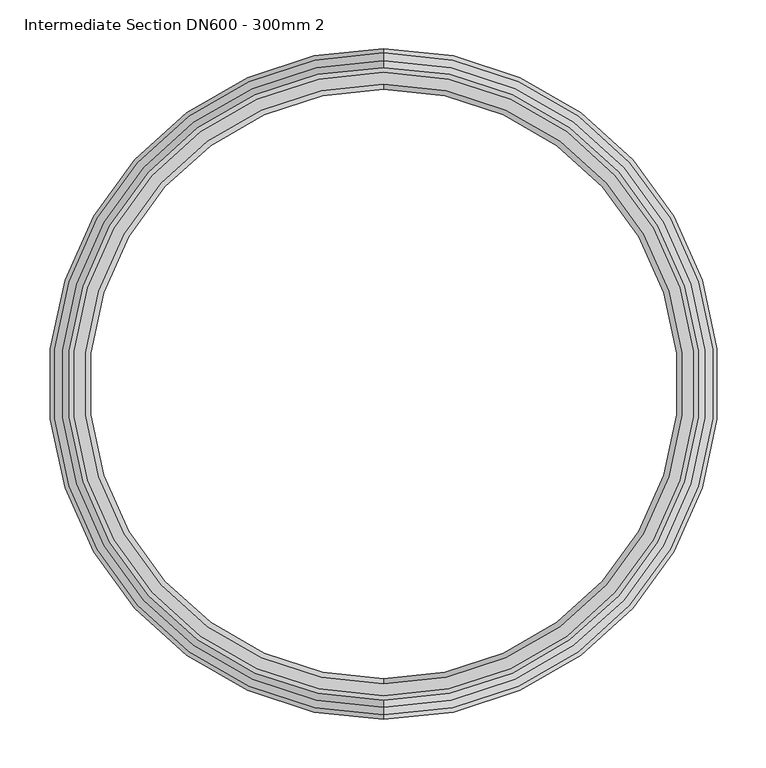
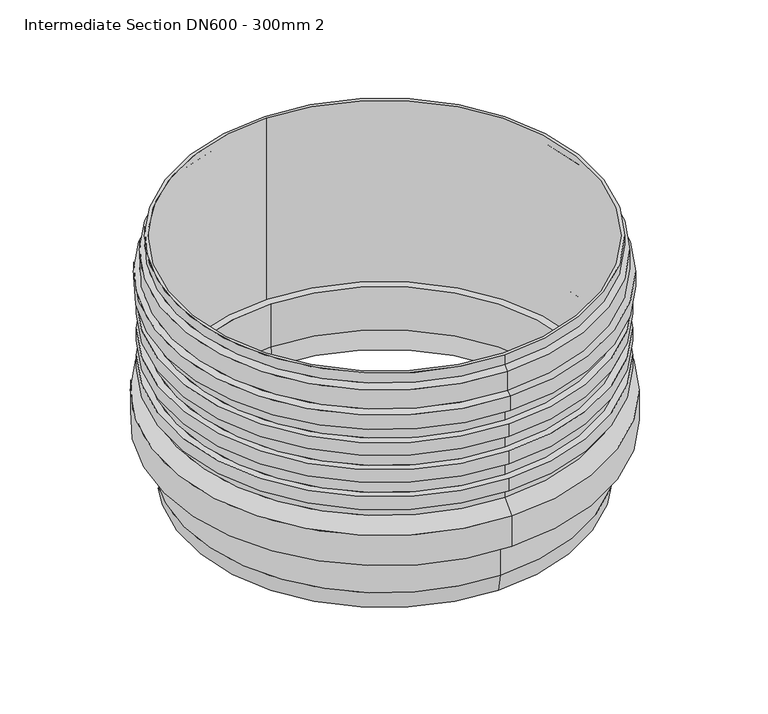
"""IFC4 building model written with IfcOpenShell, lengths in millimetres: proxy geometry, Intermediate Section DN600 - 300mm 2."""

from ifc_helpers import new_model, si_unit, frame, origin, place, context, project, spatial, polyline, circle_curve, source, transform, mapped, element, save
from ifc_brep_helpers import plane_surface, cylinder_surface, revolved_surface, advanced_brep


def intermediate_section_dn600_300mm_2_32245d74(model_context):
    return source(origin(), model_context, "Body", "AdvancedBrep", [
        advanced_brep(
        [(-285.0, 325.5, 289.0), (-285.0, -325.5, 289.0), (-285.0, -325.5, 305.0), (-285.0, 325.5, 305.0), (-285.0, 332.5, 282.0), (-285.0, -332.5, 282.0), (-285.0, 332.5, 250.7785591), (-285.0, -332.5, 250.7785591), (-285.0, 340.5, 245.9426053), (-285.0, -340.5, 245.9426053), (-285.0, 340.5, 222.0), (-285.0, -340.5, 222.0), (-285.0, 325.5, 219.3550953), (-285.0, -325.5, 219.3550953), (-285.0, 325.5, 197.4490954), (-285.0, -325.5, 197.4490954), (-285.0, 336.5, 176.5509046), (-285.0, -336.5, 176.5509046), (-285.0, -336.5, 197.4490954), (-285.0, 336.5, 197.4490954), (-285.0, 325.5, 152.4490954), (-285.0, -325.5, 152.4490954), (-285.0, -325.5, 176.5509046), (-285.0, 325.5, 176.5509046), (-285.0, 336.5, 131.5509046), (-285.0, -336.5, 131.5509046), (-285.0, -336.5, 152.4490954), (-285.0, 336.5, 152.4490954), (-285.0, 325.5, 107.4490954), (-285.0, -325.5, 107.4490954), (-285.0, -325.5, 131.5509046), (-285.0, 325.5, 131.5509046), (-285.0, 336.5, 86.5509046), (-285.0, -336.5, 86.5509046), (-285.0, -336.5, 107.4490954), (-285.0, 336.5, 107.4490954), (-285.0, 325.5, 69.5), (-285.0, -325.5, 69.5), (-285.0, -325.5, 86.5509046), (-285.0, 325.5, 86.5509046), (-285.0, 345.0, 50.0), (-285.0, -345.0, 50.0), (-285.0, 345.0, 0.0), (-285.0, -345.0, 0.0), (-285.0, 313.5, -67.0993611), (-285.0, -313.5, -67.0993611), (-285.0, -313.5, 0.0), (-285.0, 313.5, 0.0), (-285.0, 308.2793352, -95.0), (-285.0, -308.2793352, -95.0), (-285.0, 308.5, -66.6355948), (-285.0, -308.5, -66.6355948), (-285.0, -303.1925569, -95.0), (-285.0, 303.1925569, -95.0), (-285.0, 308.5, 5.0), (-285.0, -308.5, 5.0), (-285.0, 320.5, 305.0), (-285.0, -320.5, 305.0), (-285.0, -320.5, 5.0), (-285.0, 320.5, 5.0)],
        [
            (0, 1, circle_curve(frame((-285.0, 0.0, 289.0), z_axis=(0.0, 0.0, 1.0), x_axis=(0.0, -1.0, 0.0)), 325.5)),
            (1, 2),
            (2, 3, circle_curve(frame((-285.0, 0.0, 305.0), z_axis=(0.0, 0.0, -1.0), x_axis=(0.0, -1.0, 0.0)), 325.5)),
            (3, 0),
            (4, 5, circle_curve(frame((-285.0, 0.0, 282.0), z_axis=(0.0, 0.0, 1.0), x_axis=(0.0, -1.0, 0.0)), 332.5)),
            (5, 1),
            (0, 4),
            (6, 7, circle_curve(frame((-285.0, 0.0, 250.7785591), z_axis=(0.0, 0.0, 1.0), x_axis=(0.0, -1.0, 0.0)), 332.5)),
            (7, 5),
            (4, 6),
            (8, 9, circle_curve(frame((-285.0, 0.0, 245.9426053), z_axis=(0.0, 0.0, 1.0), x_axis=(0.0, -1.0, 0.0)), 340.5)),
            (9, 7),
            (6, 8),
            (10, 11, circle_curve(frame((-285.0, 0.0, 222.0), z_axis=(0.0, 0.0, 1.0), x_axis=(0.0, -1.0, 0.0)), 340.5)),
            (11, 9),
            (8, 10),
            (12, 13, circle_curve(frame((-285.0, 0.0, 219.3550953), z_axis=(0.0, 0.0, 1.0), x_axis=(0.0, -1.0, 0.0)), 325.5)),
            (13, 11),
            (10, 12),
            (14, 15, circle_curve(frame((-285.0, 0.0, 197.4490954), z_axis=(0.0, 0.0, 1.0), x_axis=(0.0, -1.0, 0.0)), 325.5)),
            (15, 13),
            (12, 14),
            (16, 17, circle_curve(frame((-285.0, 0.0, 176.5509046), z_axis=(0.0, 0.0, 1.0), x_axis=(0.0, -1.0, 0.0)), 336.5)),
            (17, 18),
            (18, 19, circle_curve(frame((-285.0, 0.0, 197.4490954), z_axis=(0.0, 0.0, -1.0), x_axis=(0.0, -1.0, 0.0)), 336.5)),
            (19, 16),
            (20, 21, circle_curve(frame((-285.0, 0.0, 152.4490954), z_axis=(0.0, 0.0, 1.0), x_axis=(0.0, -1.0, 0.0)), 325.5)),
            (21, 22),
            (22, 23, circle_curve(frame((-285.0, 0.0, 176.5509046), z_axis=(0.0, 0.0, -1.0), x_axis=(0.0, -1.0, 0.0)), 325.5)),
            (23, 20),
            (24, 25, circle_curve(frame((-285.0, 0.0, 131.5509046), z_axis=(0.0, 0.0, 1.0), x_axis=(0.0, -1.0, 0.0)), 336.5)),
            (25, 26),
            (26, 27, circle_curve(frame((-285.0, 0.0, 152.4490954), z_axis=(0.0, 0.0, -1.0), x_axis=(0.0, -1.0, 0.0)), 336.5)),
            (27, 24),
            (28, 29, circle_curve(frame((-285.0, 0.0, 107.4490954), z_axis=(0.0, 0.0, 1.0), x_axis=(0.0, -1.0, 0.0)), 325.5)),
            (29, 30),
            (30, 31, circle_curve(frame((-285.0, 0.0, 131.5509046), z_axis=(0.0, 0.0, -1.0), x_axis=(0.0, -1.0, 0.0)), 325.5)),
            (31, 28),
            (32, 33, circle_curve(frame((-285.0, 0.0, 86.5509046), z_axis=(0.0, 0.0, 1.0), x_axis=(0.0, -1.0, 0.0)), 336.5)),
            (33, 34),
            (34, 35, circle_curve(frame((-285.0, 0.0, 107.4490954), z_axis=(0.0, 0.0, -1.0), x_axis=(0.0, -1.0, 0.0)), 336.5)),
            (35, 32),
            (36, 37, circle_curve(frame((-285.0, 0.0, 69.5), z_axis=(0.0, 0.0, 1.0), x_axis=(0.0, -1.0, 0.0)), 325.5)),
            (37, 38),
            (38, 39, circle_curve(frame((-285.0, 0.0, 86.5509046), z_axis=(0.0, 0.0, -1.0), x_axis=(0.0, -1.0, 0.0)), 325.5)),
            (39, 36),
            (40, 41, circle_curve(frame((-285.0, 0.0, 50.0), z_axis=(0.0, 0.0, 1.0), x_axis=(0.0, -1.0, 0.0)), 345.0)),
            (41, 37),
            (36, 40),
            (42, 43, circle_curve(frame((-285.0, 0.0, 0.0), z_axis=(0.0, 0.0, 1.0), x_axis=(0.0, -1.0, 0.0)), 345.0)),
            (43, 41),
            (40, 42),
            (44, 45, circle_curve(frame((-285.0, 0.0, -67.0993611), z_axis=(0.0, 0.0, 1.0), x_axis=(0.0, -1.0, 0.0)), 313.5)),
            (45, 46),
            (46, 47, circle_curve(frame((-285.0, 0.0, 0.0), z_axis=(0.0, 0.0, -1.0), x_axis=(0.0, -1.0, 0.0)), 313.5)),
            (47, 44),
            (48, 49, circle_curve(frame((-285.0, 0.0, -95.0), z_axis=(0.0, 0.0, 1.0), x_axis=(0.0, -1.0, 0.0)), 308.2793352)),
            (49, 45),
            (44, 48),
            (50, 51, circle_curve(frame((-285.0, 0.0, -66.6355948), z_axis=(0.0, 0.0, 1.0), x_axis=(0.0, -1.0, 0.0)), 308.5)),
            (51, 52),
            (52, 53, circle_curve(frame((-285.0, 0.0, -95.0), z_axis=(0.0, 0.0, -1.0), x_axis=(0.0, -1.0, 0.0)), 303.1925569)),
            (53, 50),
            (54, 55, circle_curve(frame((-285.0, 0.0, 5.0), z_axis=(0.0, 0.0, 1.0), x_axis=(0.0, -1.0, 0.0)), 308.5)),
            (55, 51),
            (50, 54),
            (56, 57, circle_curve(frame((-285.0, 0.0, 305.0), z_axis=(0.0, 0.0, 1.0), x_axis=(0.0, -1.0, 0.0)), 320.5)),
            (57, 58),
            (58, 59, circle_curve(frame((-285.0, 0.0, 5.0), z_axis=(0.0, 0.0, -1.0), x_axis=(0.0, -1.0, 0.0)), 320.5)),
            (59, 56),
            (1, 0, circle_curve(frame((-285.0, 0.0, 289.0), z_axis=(0.0, 0.0, 1.0), x_axis=(0.0, 1.0, 0.0)), 325.5)),
            (3, 2, circle_curve(frame((-285.0, 0.0, 305.0), z_axis=(0.0, 0.0, -1.0), x_axis=(0.0, 1.0, 0.0)), 325.5)),
            (5, 4, circle_curve(frame((-285.0, 0.0, 282.0), z_axis=(0.0, 0.0, 1.0), x_axis=(0.0, 1.0, 0.0)), 332.5)),
            (7, 6, circle_curve(frame((-285.0, 0.0, 250.7785591), z_axis=(0.0, 0.0, 1.0), x_axis=(0.0, 1.0, 0.0)), 332.5)),
            (9, 8, circle_curve(frame((-285.0, 0.0, 245.9426053), z_axis=(0.0, 0.0, 1.0), x_axis=(0.0, 1.0, 0.0)), 340.5)),
            (11, 10, circle_curve(frame((-285.0, 0.0, 222.0), z_axis=(0.0, 0.0, 1.0), x_axis=(0.0, 1.0, 0.0)), 340.5)),
            (13, 12, circle_curve(frame((-285.0, 0.0, 219.3550953), z_axis=(0.0, 0.0, 1.0), x_axis=(0.0, 1.0, 0.0)), 325.5)),
            (15, 14, circle_curve(frame((-285.0, 0.0, 197.4490954), z_axis=(0.0, 0.0, 1.0), x_axis=(0.0, 1.0, 0.0)), 325.5)),
            (18, 19, circle_curve(frame((-285.0, 0.0, 197.4490954), z_axis=(0.0, 0.0, 1.0), x_axis=(0.0, 1.0, 0.0)), 336.5)),
            (17, 16, circle_curve(frame((-285.0, 0.0, 176.5509046), z_axis=(0.0, 0.0, 1.0), x_axis=(0.0, 1.0, 0.0)), 336.5)),
            (22, 23, circle_curve(frame((-285.0, 0.0, 176.5509046), z_axis=(0.0, 0.0, 1.0), x_axis=(0.0, 1.0, 0.0)), 325.5)),
            (21, 20, circle_curve(frame((-285.0, 0.0, 152.4490954), z_axis=(0.0, 0.0, 1.0), x_axis=(0.0, 1.0, 0.0)), 325.5)),
            (26, 27, circle_curve(frame((-285.0, 0.0, 152.4490954), z_axis=(0.0, 0.0, 1.0), x_axis=(0.0, 1.0, 0.0)), 336.5)),
            (25, 24, circle_curve(frame((-285.0, 0.0, 131.5509046), z_axis=(0.0, 0.0, 1.0), x_axis=(0.0, 1.0, 0.0)), 336.5)),
            (30, 31, circle_curve(frame((-285.0, 0.0, 131.5509046), z_axis=(0.0, 0.0, 1.0), x_axis=(0.0, 1.0, 0.0)), 325.5)),
            (29, 28, circle_curve(frame((-285.0, 0.0, 107.4490954), z_axis=(0.0, 0.0, 1.0), x_axis=(0.0, 1.0, 0.0)), 325.5)),
            (34, 35, circle_curve(frame((-285.0, 0.0, 107.4490954), z_axis=(0.0, 0.0, 1.0), x_axis=(0.0, 1.0, 0.0)), 336.5)),
            (33, 32, circle_curve(frame((-285.0, 0.0, 86.5509046), z_axis=(0.0, 0.0, 1.0), x_axis=(0.0, 1.0, 0.0)), 336.5)),
            (38, 39, circle_curve(frame((-285.0, 0.0, 86.5509046), z_axis=(0.0, 0.0, 1.0), x_axis=(0.0, 1.0, 0.0)), 325.5)),
            (37, 36, circle_curve(frame((-285.0, 0.0, 69.5), z_axis=(0.0, 0.0, 1.0), x_axis=(0.0, 1.0, 0.0)), 325.5)),
            (41, 40, circle_curve(frame((-285.0, 0.0, 50.0), z_axis=(0.0, 0.0, 1.0), x_axis=(0.0, 1.0, 0.0)), 345.0)),
            (43, 42, circle_curve(frame((-285.0, 0.0, 0.0), z_axis=(0.0, 0.0, 1.0), x_axis=(0.0, 1.0, 0.0)), 345.0)),
            (46, 47, circle_curve(frame((-285.0, 0.0, 0.0), z_axis=(0.0, 0.0, 1.0), x_axis=(0.0, 1.0, 0.0)), 313.5)),
            (45, 44, circle_curve(frame((-285.0, 0.0, -67.0993611), z_axis=(0.0, 0.0, 1.0), x_axis=(0.0, 1.0, 0.0)), 313.5)),
            (49, 48, circle_curve(frame((-285.0, 0.0, -95.0), z_axis=(0.0, 0.0, 1.0), x_axis=(0.0, 1.0, 0.0)), 308.2793352)),
            (52, 53, circle_curve(frame((-285.0, 0.0, -95.0), z_axis=(0.0, 0.0, 1.0), x_axis=(0.0, 1.0, 0.0)), 303.1925569)),
            (51, 50, circle_curve(frame((-285.0, 0.0, -66.6355948), z_axis=(0.0, 0.0, 1.0), x_axis=(0.0, 1.0, 0.0)), 308.5)),
            (55, 54, circle_curve(frame((-285.0, 0.0, 5.0), z_axis=(0.0, 0.0, 1.0), x_axis=(0.0, 1.0, 0.0)), 308.5)),
            (58, 59, circle_curve(frame((-285.0, 0.0, 5.0), z_axis=(0.0, 0.0, 1.0), x_axis=(0.0, 1.0, 0.0)), 320.5)),
            (57, 56, circle_curve(frame((-285.0, 0.0, 305.0), z_axis=(0.0, 0.0, 1.0), x_axis=(0.0, 1.0, 0.0)), 320.5)),
        ],
        [
            cylinder_surface(frame((-285.0, 0.0, -95.0), z_axis=(0.0, 0.0, -1.0), x_axis=(0.0, -1.0, 0.0)), 325.5),
            revolved_surface(polyline([(-285.0, -325.5, 289.0), (-285.0, -332.5, 282.0)]), (-285.0, 0.0, -95.0), (0.0, 0.0, -1.0)),
            cylinder_surface(frame((-285.0, 0.0, -95.0), z_axis=(0.0, 0.0, -1.0), x_axis=(0.0, -1.0, 0.0)), 332.5),
            revolved_surface(polyline([(-285.0, -332.5, 250.7785591), (-285.0, -340.5, 245.9426053)]), (-285.0, 0.0, -95.0), (0.0, 0.0, -1.0)),
            cylinder_surface(frame((-285.0, 0.0, -95.0), z_axis=(0.0, 0.0, -1.0), x_axis=(0.0, -1.0, 0.0)), 340.5),
            revolved_surface(polyline([(-285.0, -340.5, 222.0), (-285.0, -325.5, 219.3550953)]), (-285.0, 0.0, -95.0), (0.0, 0.0, -1.0)),
            cylinder_surface(frame((-285.0, 0.0, -95.0), z_axis=(0.0, 0.0, -1.0), x_axis=(0.0, -1.0, 0.0)), 336.5),
            revolved_surface(polyline([(-285.0, -325.5, 69.5), (-285.0, -345.0, 50.0)]), (-285.0, 0.0, -95.0), (0.0, 0.0, -1.0)),
            cylinder_surface(frame((-285.0, 0.0, -95.0), z_axis=(0.0, 0.0, -1.0), x_axis=(0.0, -1.0, 0.0)), 345.0),
            cylinder_surface(frame((-285.0, 0.0, -95.0), z_axis=(0.0, 0.0, -1.0), x_axis=(0.0, -1.0, 0.0)), 313.5),
            revolved_surface(polyline([(-285.0, -313.5, -67.0993611), (-285.0, -308.2793352, -95.0)]), (-285.0, 0.0, -95.0), (0.0, 0.0, -1.0)),
            revolved_surface(polyline([(-285.0, -303.1925569, -95.0), (-285.0, -308.5, -66.6355948)]), (-285.0, 0.0, -95.0), (0.0, 0.0, -1.0)),
            revolved_surface(polyline([(-285.0, -308.5, -66.6355948), (-285.0, -308.5, 5.0)]), (-285.0, 0.0, -95.0), (0.0, 0.0, -1.0)),
            revolved_surface(polyline([(-285.0, -320.5, 5.0), (-285.0, -320.5, 305.0)]), (-285.0, 0.0, -95.0), (0.0, 0.0, -1.0)),
            cylinder_surface(frame((-285.0, 0.0, -95.0), z_axis=(0.0, 0.0, -1.0), x_axis=(0.0, 1.0, 0.0)), 325.5),
            revolved_surface(polyline([(-285.0, 325.5, 289.0), (-285.0, 332.5, 282.0)]), (-285.0, 0.0, -95.0), (0.0, 0.0, -1.0)),
            cylinder_surface(frame((-285.0, 0.0, -95.0), z_axis=(0.0, 0.0, -1.0), x_axis=(0.0, 1.0, 0.0)), 332.5),
            revolved_surface(polyline([(-285.0, 332.5, 250.7785591), (-285.0, 340.5, 245.9426053)]), (-285.0, 0.0, -95.0), (0.0, 0.0, -1.0)),
            cylinder_surface(frame((-285.0, 0.0, -95.0), z_axis=(0.0, 0.0, -1.0), x_axis=(0.0, 1.0, 0.0)), 340.5),
            revolved_surface(polyline([(-285.0, 340.5, 222.0), (-285.0, 325.5, 219.3550953)]), (-285.0, 0.0, -95.0), (0.0, 0.0, -1.0)),
            plane_surface(frame((-285.0, 0.0, 197.4490954), z_axis=(0.0, 0.0, 1.0), x_axis=(0.0, 1.0, 0.0))),
            cylinder_surface(frame((-285.0, 0.0, -95.0), z_axis=(0.0, 0.0, -1.0), x_axis=(0.0, 1.0, 0.0)), 336.5),
            plane_surface(frame((-285.0, 0.0, 176.5509046), z_axis=(0.0, 0.0, -1.0), x_axis=(0.0, 1.0, 0.0))),
            plane_surface(frame((-285.0, 0.0, 152.4490954), z_axis=(0.0, 0.0, 1.0), x_axis=(0.0, 1.0, 0.0))),
            plane_surface(frame((-285.0, 0.0, 131.5509046), z_axis=(0.0, 0.0, -1.0), x_axis=(0.0, 1.0, 0.0))),
            plane_surface(frame((-285.0, 0.0, 107.4490954), z_axis=(0.0, 0.0, 1.0), x_axis=(0.0, 1.0, 0.0))),
            plane_surface(frame((-285.0, 0.0, 86.5509046), z_axis=(0.0, 0.0, -1.0), x_axis=(0.0, 1.0, 0.0))),
            revolved_surface(polyline([(-285.0, 325.5, 69.5), (-285.0, 345.0, 50.0)]), (-285.0, 0.0, -95.0), (0.0, 0.0, -1.0)),
            cylinder_surface(frame((-285.0, 0.0, -95.0), z_axis=(0.0, 0.0, -1.0), x_axis=(0.0, 1.0, 0.0)), 345.0),
            plane_surface(frame((-285.0, 0.0, 0.0), z_axis=(0.0, 0.0, -1.0), x_axis=(0.0, 1.0, 0.0))),
            cylinder_surface(frame((-285.0, 0.0, -95.0), z_axis=(0.0, 0.0, -1.0), x_axis=(0.0, 1.0, 0.0)), 313.5),
            revolved_surface(polyline([(-285.0, 313.5, -67.0993611), (-285.0, 308.2793352, -95.0)]), (-285.0, 0.0, -95.0), (0.0, 0.0, -1.0)),
            plane_surface(frame((-285.0, 0.0, -95.0), z_axis=(0.0, 0.0, -1.0), x_axis=(0.0, 1.0, 0.0))),
            revolved_surface(polyline([(-285.0, 303.1925569, -95.0), (-285.0, 308.5, -66.6355948)]), (-285.0, 0.0, -95.0), (0.0, 0.0, -1.0)),
            revolved_surface(polyline([(-285.0, 308.5, -66.6355948), (-285.0, 308.5, 5.0)]), (-285.0, 0.0, -95.0), (0.0, 0.0, -1.0)),
            plane_surface(frame((-285.0, 0.0, 5.0), z_axis=(0.0, 0.0, 1.0), x_axis=(0.0, 1.0, 0.0))),
            revolved_surface(polyline([(-285.0, 320.5, 5.0), (-285.0, 320.5, 305.0)]), (-285.0, 0.0, -95.0), (0.0, 0.0, -1.0)),
            plane_surface(frame((-285.0, 0.0, 305.0), z_axis=(0.0, 0.0, 1.0), x_axis=(0.0, 1.0, 0.0))),
        ],
        [
            (0, [[1, 2, 3, 4]]),
            (1, [[5, 6, -1, 7]]),
            (2, [[8, 9, -5, 10]]),
            (3, [[11, 12, -8, 13]]),
            (4, [[14, 15, -11, 16]]),
            (5, [[17, 18, -14, 19]]),
            (0, [[20, 21, -17, 22]]),
            (6, [[23, 24, 25, 26]]),
            (0, [[27, 28, 29, 30]]),
            (6, [[31, 32, 33, 34]]),
            (0, [[35, 36, 37, 38]]),
            (6, [[39, 40, 41, 42]]),
            (0, [[43, 44, 45, 46]]),
            (7, [[47, 48, -43, 49]]),
            (8, [[50, 51, -47, 52]]),
            (9, [[53, 54, 55, 56]]),
            (10, [[57, 58, -53, 59]]),
            (11, [[60, 61, 62, 63]]),
            (12, [[64, 65, -60, 66]]),
            (13, [[67, 68, 69, 70]]),
            (14, [[71, -4, 72, -2]]),
            (15, [[73, -7, -71, -6]]),
            (16, [[74, -10, -73, -9]]),
            (17, [[75, -13, -74, -12]]),
            (18, [[76, -16, -75, -15]]),
            (19, [[77, -19, -76, -18]]),
            (14, [[78, -22, -77, -21]]),
            (20, [[79, -25], [-78, -20]]),
            (21, [[80, -26, -79, -24]]),
            (22, [[-80, -23], [81, -29]]),
            (14, [[82, -30, -81, -28]]),
            (23, [[83, -33], [-82, -27]]),
            (21, [[84, -34, -83, -32]]),
            (24, [[-84, -31], [85, -37]]),
            (14, [[86, -38, -85, -36]]),
            (25, [[87, -41], [-86, -35]]),
            (21, [[88, -42, -87, -40]]),
            (26, [[-88, -39], [89, -45]]),
            (14, [[90, -46, -89, -44]]),
            (27, [[91, -49, -90, -48]]),
            (28, [[92, -52, -91, -51]]),
            (29, [[-92, -50], [93, -55]]),
            (30, [[94, -56, -93, -54]]),
            (31, [[95, -59, -94, -58]]),
            (32, [[-95, -57], [96, -62]]),
            (33, [[97, -63, -96, -61]]),
            (34, [[98, -66, -97, -65]]),
            (35, [[99, -69], [-98, -64]]),
            (36, [[100, -70, -99, -68]]),
            (37, [[-72, -3], [-100, -67]]),
        ],
    ),
    ])


if __name__ == "__main__":
    model = new_model("IFC4")
    model_context = context("Model", 3, world=origin())
    ifc_project = project(units=[si_unit("LENGTHUNIT", "METRE", prefix="MILLI")], contexts=[model_context])
    site = spatial("IfcSite", under=ifc_project)
    building = spatial("IfcBuilding", under=site)
    placement = place(None, origin())
    intermediate_section_dn600_300mm_2_shape = intermediate_section_dn600_300mm_2_32245d74(model_context)
    element("IfcBuildingElementProxy", 1, Name="Intermediate Section DN600 - 300mm 2", ObjectType="Intermediate Section DN600 - 300mm 2", at=placement, inside=building, context=model_context, shape_type="MappedRepresentation", body=[
        mapped(intermediate_section_dn600_300mm_2_shape, transform((0.0, 0.0, 0.0), x_axis=(1.0, 0.0, 0.0), y_axis=(0.0, 1.0, 0.0), z_axis=(0.0, 0.0, 1.0))),
    ])
    save(model, "model.ifc")
